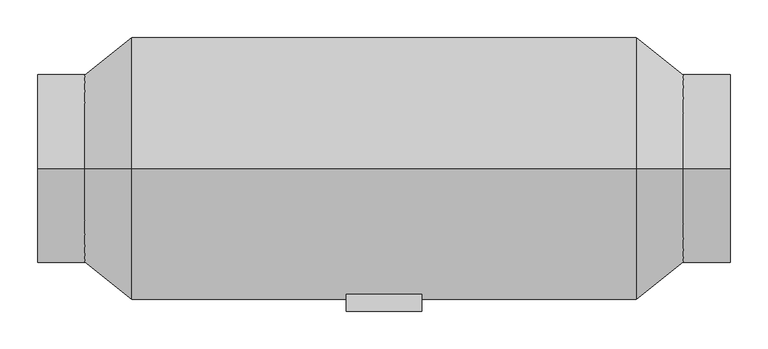
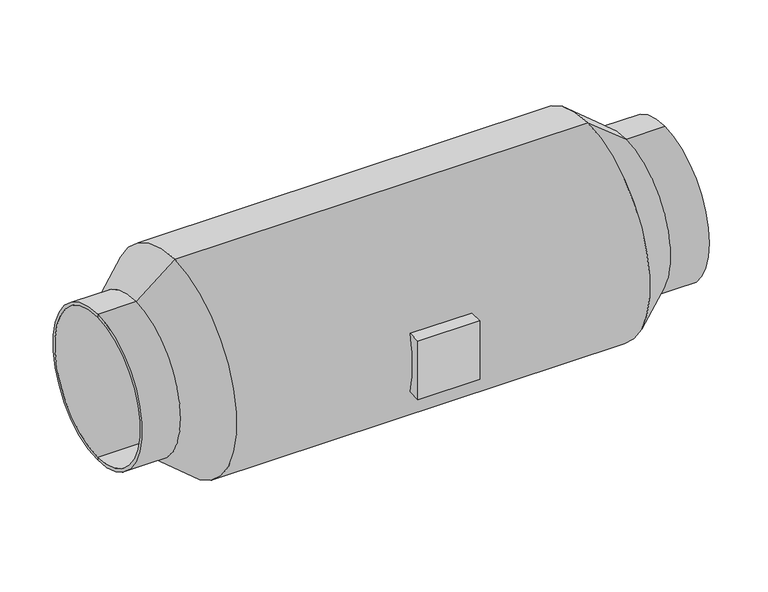
"""IFC4 building model written with IfcOpenShell, lengths in millimetres: proxy geometry."""

from ifc_helpers import new_model, si_unit, frame, origin, place, context, project, spatial, polyline, circle_curve, source, transform, mapped, element, save
from ifc_brep_helpers import plane_surface, cylinder_surface, revolved_surface, advanced_brep


def mechanical_equipment_f944abec(model_context):
    return source(origin(), model_context, "Body", "AdvancedBrep", [
        advanced_brep(
        [(50.0, -190.0, 225.0), (-50.0, -190.0, 225.0), (-50.0, -190.0, 125.0), (50.0, -190.0, 125.0), (50.0, -167.7050983, 225.0), (-50.0, -167.7050983, 225.0), (-50.0, -167.7050983, 125.0), (50.0, -167.7050983, 125.0), (460.0, 0.0, 55.0), (460.0, 0.0, 295.0), (-460.0, 0.0, 295.0), (-460.0, 0.0, 55.0), (460.0, 0.0, 50.0), (460.0, 0.0, 300.0), (-335.0, 0.0, 0.0), (-335.0, 0.0, 350.0), (335.0, 0.0, 350.0), (335.0, 0.0, 0.0), (-460.0, 0.0, 300.0), (-460.0, 0.0, 50.0), (397.5, 0.0, 50.0), (397.5, 0.0, 300.0), (-397.5, 0.0, 50.0), (-397.5, 0.0, 300.0)],
        [
            (0, 1),
            (1, 2),
            (2, 3),
            (3, 0),
            (0, 4),
            (4, 5),
            (5, 1),
            (5, 6, circle_curve(frame((-50.0, 0.0, 175.0), z_axis=(1.0, 0.0, 0.0), x_axis=(0.0, 0.0, 1.0)), 175.0)),
            (6, 2),
            (6, 7),
            (7, 3),
            (7, 4, circle_curve(frame((50.0, 0.0, 175.0), z_axis=(-1.0, 0.0, 0.0), x_axis=(0.0, 0.0, 1.0)), 175.0)),
            (8, 9, circle_curve(frame((460.0, 0.0, 175.0), z_axis=(1.0, 0.0, 0.0), x_axis=(0.0, 0.0, 1.0)), 120.0)),
            (9, 10),
            (10, 11, circle_curve(frame((-460.0, 0.0, 175.0), z_axis=(-1.0, 0.0, 0.0), x_axis=(0.0, 0.0, 1.0)), 120.0)),
            (11, 8),
            (9, 8, circle_curve(frame((460.0, 0.0, 175.0), z_axis=(1.0, 0.0, 0.0), x_axis=(0.0, 0.0, 1.0)), 120.0)),
            (11, 10, circle_curve(frame((-460.0, 0.0, 175.0), z_axis=(-1.0, 0.0, 0.0), x_axis=(0.0, 0.0, 1.0)), 120.0)),
            (8, 12),
            (12, 13, circle_curve(frame((460.0, 0.0, 175.0), z_axis=(1.0, 0.0, 0.0), x_axis=(0.0, 0.0, 1.0)), 125.0)),
            (13, 9),
            (13, 12, circle_curve(frame((460.0, 0.0, 175.0), z_axis=(1.0, 0.0, 0.0), x_axis=(0.0, 0.0, 1.0)), 125.0)),
            (14, 15, circle_curve(frame((-335.0, 0.0, 175.0), z_axis=(1.0, 0.0, 0.0), x_axis=(0.0, 0.0, 1.0)), 175.0)),
            (15, 16),
            (16, 17, circle_curve(frame((335.0, 0.0, 175.0), z_axis=(-1.0, 0.0, 0.0), x_axis=(0.0, 0.0, 1.0)), 175.0)),
            (17, 14),
            (15, 14, circle_curve(frame((-335.0, 0.0, 175.0), z_axis=(1.0, 0.0, 0.0), x_axis=(0.0, 0.0, 1.0)), 175.0)),
            (17, 16, circle_curve(frame((335.0, 0.0, 175.0), z_axis=(-1.0, 0.0, 0.0), x_axis=(0.0, 0.0, 1.0)), 175.0)),
            (10, 18),
            (18, 19, circle_curve(frame((-460.0, 0.0, 175.0), z_axis=(-1.0, 0.0, 0.0), x_axis=(0.0, 0.0, 1.0)), 125.0)),
            (19, 11),
            (19, 18, circle_curve(frame((-460.0, 0.0, 175.0), z_axis=(-1.0, 0.0, 0.0), x_axis=(0.0, 0.0, 1.0)), 125.0)),
            (12, 20),
            (20, 21, circle_curve(frame((397.5, 0.0, 175.0), z_axis=(1.0, 0.0, 0.0), x_axis=(0.0, 0.0, 1.0)), 125.0)),
            (21, 13),
            (21, 20, circle_curve(frame((397.5, 0.0, 175.0), z_axis=(1.0, 0.0, 0.0), x_axis=(0.0, 0.0, 1.0)), 125.0)),
            (16, 21),
            (20, 17),
            (14, 22),
            (22, 23, circle_curve(frame((-397.5, 0.0, 175.0), z_axis=(1.0, 0.0, 0.0), x_axis=(0.0, 0.0, 1.0)), 125.0)),
            (23, 15),
            (23, 22, circle_curve(frame((-397.5, 0.0, 175.0), z_axis=(1.0, 0.0, 0.0), x_axis=(0.0, 0.0, 1.0)), 125.0)),
            (18, 23),
            (22, 19),
        ],
        [
            plane_surface(frame((-50.0, -190.0, 225.0), z_axis=(0.0, -1.0, 0.0), x_axis=(-1.0, 0.0, 0.0))),
            plane_surface(frame((50.0, -190.0, 225.0), z_axis=(0.0, 0.0, 1.0), x_axis=(0.0, 1.0, 0.0))),
            plane_surface(frame((-50.0, -190.0, 225.0), z_axis=(-1.0, 0.0, 0.0), x_axis=(0.0, 1.0, 0.0))),
            plane_surface(frame((-50.0, -190.0, 125.0), z_axis=(0.0, 0.0, -1.0), x_axis=(0.0, 1.0, 0.0))),
            plane_surface(frame((50.0, -190.0, 125.0), z_axis=(1.0, 0.0, 0.0), x_axis=(0.0, 1.0, 0.0))),
            revolved_surface(polyline([(-460.0, 0.0, 295.0), (460.0, 0.0, 295.0)]), (-1169.5786453, 0.0, 175.0), (-1.0, 0.0, 0.0)),
            plane_surface(frame((460.0, 0.0, 175.0), z_axis=(1.0, 0.0, 0.0), x_axis=(0.0, 0.0, 1.0))),
            cylinder_surface(frame((-1169.5786453, 0.0, 175.0), z_axis=(-1.0, 0.0, 0.0), x_axis=(0.0, 0.0, 1.0)), 175.0),
            plane_surface(frame((-460.0, 0.0, 175.0), z_axis=(-1.0, 0.0, 0.0), x_axis=(0.0, 0.0, 1.0))),
            cylinder_surface(frame((-1169.5786453, 0.0, 175.0), z_axis=(-1.0, 0.0, 0.0), x_axis=(0.0, 0.0, 1.0)), 125.0),
            revolved_surface(polyline([(397.5, 0.0, 300.0), (335.0, 0.0, 350.0)]), (-1169.5786453, 0.0, 175.0), (-1.0, 0.0, 0.0)),
            revolved_surface(polyline([(-335.0, 0.0, 350.0), (-397.5, 0.0, 300.0)]), (-1169.5786453, 0.0, 175.0), (-1.0, 0.0, 0.0)),
        ],
        [
            (0, [[1, 2, 3, 4]]),
            (1, [[-1, 5, 6, 7]]),
            (2, [[-2, -7, 8, 9]]),
            (3, [[-3, -9, 10, 11]]),
            (4, [[-4, -11, 12, -5]]),
            (5, [[13, 14, 15, 16]]),
            (5, [[-14, 17, -16, 18]]),
            (6, [[-13, 19, 20, 21]]),
            (6, [[-17, -21, 22, -19]]),
            (7, [[23, 24, 25, 26]]),
            (7, [[-24, 27, -26, 28], [-6, -12, -10, -8]]),
            (8, [[-15, 29, 30, 31]]),
            (8, [[-18, -31, 32, -29]]),
            (9, [[-20, 33, 34, 35]]),
            (9, [[-22, -35, 36, -33]]),
            (10, [[-25, 37, -34, 38]]),
            (10, [[-28, -38, -36, -37]]),
            (11, [[-23, 39, 40, 41]]),
            (11, [[-27, -41, 42, -39]]),
            (9, [[-30, 43, -40, 44]]),
            (9, [[-32, -44, -42, -43]]),
        ],
    ),
    ])


if __name__ == "__main__":
    model = new_model("IFC4")
    model_context = context("Model", 3, world=origin())
    ifc_project = project(units=[si_unit("LENGTHUNIT", "METRE", prefix="MILLI")], contexts=[model_context])
    site = spatial("IfcSite", under=ifc_project)
    building = spatial("IfcBuilding", under=site)
    placement = place(None, origin())
    mechanical_equipment_shape = mechanical_equipment_f944abec(model_context)
    element("IfcBuildingElementProxy", 1, Name="Mechanical Equipment", at=placement, inside=building, context=model_context, shape_type="MappedRepresentation", body=[
        mapped(mechanical_equipment_shape, transform((0.0, 0.0, 0.0), x_axis=(1.0, 0.0, 0.0), y_axis=(0.0, 1.0, 0.0), z_axis=(0.0, 0.0, 1.0))),
    ])
    save(model, "model.ifc")
